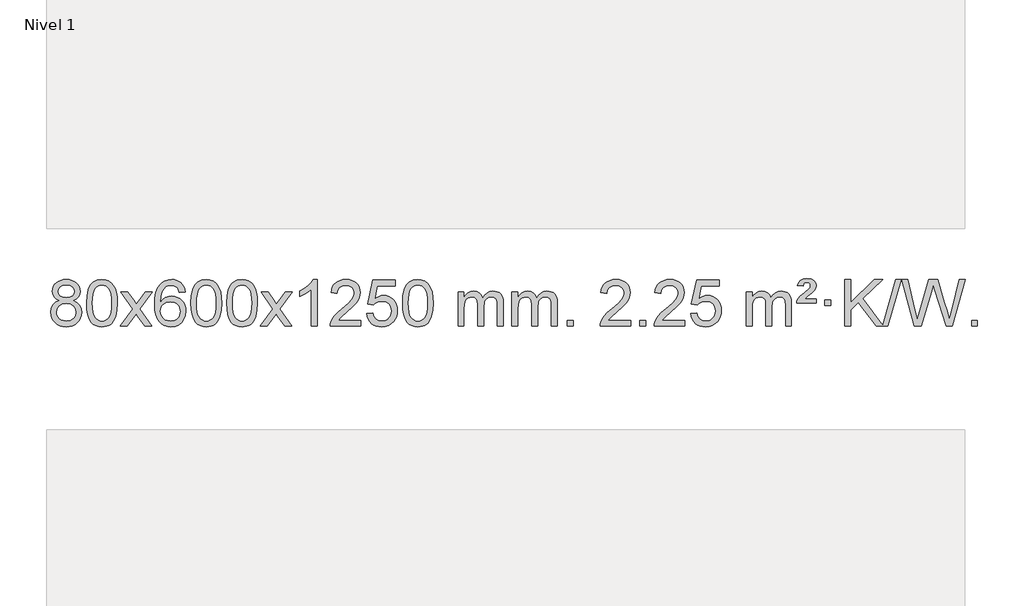
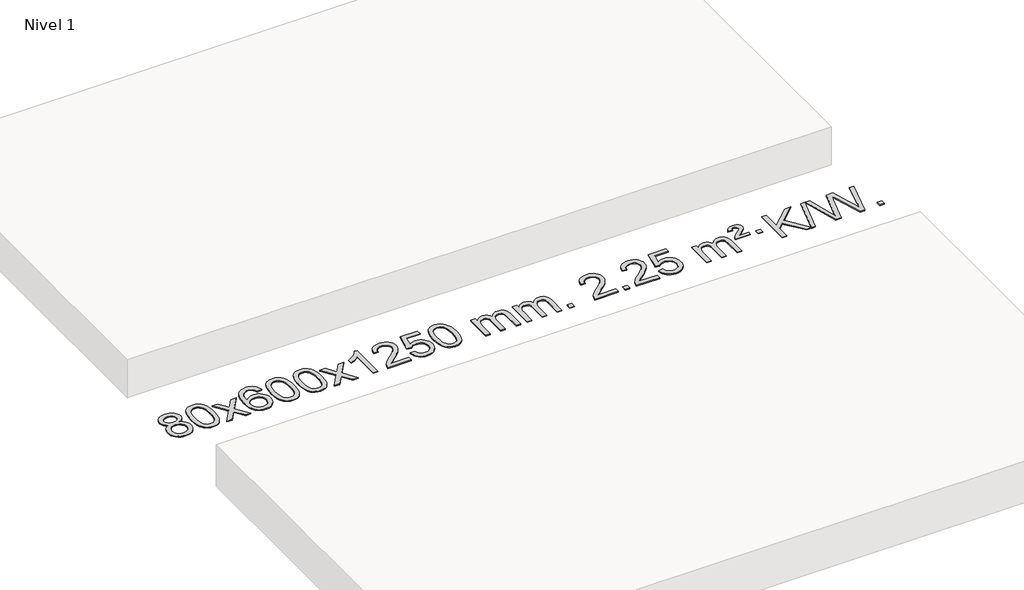
# One storey, part 6 of 7: 1 proxy.
"""IFC4 building model written with IfcOpenShell, lengths in millimetres."""

import ifcopenshell
import ifcopenshell.guid

model = None  # the IFC model being written
_history = None  # IfcOwnerHistory: only IFC2X3 demands one
_inside = {}  # id of a spatial element -> (the spatial element, [elements in it])
_under = {}  # id of a project, library or spatial element -> (it, [spatial elements below it])
_declared = {}  # id of a project -> (the project, [libraries it declares])
_typed = {}  # id of a type object -> (the type object, [elements of that type])
_made_of = {}  # id of a material, layer set ... -> (it, [elements and type objects made of it])


def new_model(schema):
    """Start an empty IFC model of exactly this schema.

    Asked for "IFC4X3", IfcOpenShell would pick the latest addendum, in which some entities
    have other attributes; the version numbers below select the first issue.
    IFC2X3 requires an IfcOwnerHistory on every rooted entity: one is made here for all.
    """
    global model, _history
    if schema == "IFC4X3":
        model = ifcopenshell.file(schema_version=(4, 3, 0, 0))
    else:
        model = ifcopenshell.file(schema=schema)
    _inside.clear()
    _under.clear()
    _declared.clear()
    _typed.clear()
    _made_of.clear()
    _history = None
    if model.schema == "IFC2X3":
        org = make("IfcOrganization", Name="unknown")
        user = make(
            "IfcPersonAndOrganization",
            ThePerson=make("IfcPerson", FamilyName="unknown"),
            TheOrganization=org,
        )
        app = make(
            "IfcApplication",
            ApplicationDeveloper=org,
            Version="unknown",
            ApplicationFullName="unknown",
            ApplicationIdentifier="unknown",
        )
        _history = make(
            "IfcOwnerHistory",
            OwningUser=user,
            OwningApplication=app,
            ChangeAction="ADDED",
            CreationDate=0,
        )
    return model


def make(cls, **values):
    """One entity of the class cls with the attributes given. An attribute that is None is left unset."""
    return model.create_entity(
        cls, **{name: value for name, value in values.items() if value is not None}
    )


def rooted(cls, **values):
    """An entity with a GlobalId (a new one), such as an element, a storey or a relation."""
    return make(cls, GlobalId=ifcopenshell.guid.new(), OwnerHistory=_history, **values)


def si_unit(unit_type, name, prefix=None):
    """IfcSIUnit, for example si_unit("LENGTHUNIT", "METRE", prefix="MILLI")."""
    return make("IfcSIUnit", UnitType=unit_type, Prefix=prefix, Name=name)


def assignment(units):
    """IfcUnitAssignment: the units of a project."""
    return None if units is None else make("IfcUnitAssignment", Units=units)


def point(xyz):
    """IfcCartesianPoint."""
    return None if xyz is None else make("IfcCartesianPoint", Coordinates=xyz)


def direction(xyz):
    """IfcDirection."""
    return None if xyz is None else make("IfcDirection", DirectionRatios=xyz)


def frame(location, z_axis=None, x_axis=None):
    """IfcAxis2Placement3D, a coordinate frame: its origin and axes. An axis left out is left unset."""
    return make(
        "IfcAxis2Placement3D",
        Location=point(location),
        Axis=direction(z_axis),
        RefDirection=direction(x_axis),
    )


def origin():
    """The frame at (0, 0, 0) with its axes left unset."""
    return frame((0.0, 0.0, 0.0))


def origin_with_axes():
    """The frame at (0, 0, 0) with the z axis (0, 0, 1) and the x axis (1, 0, 0) written out."""
    return frame((0.0, 0.0, 0.0), z_axis=(0.0, 0.0, 1.0), x_axis=(1.0, 0.0, 0.0))


def place(relative_to, where):
    """IfcLocalPlacement: puts the frame where relative to a parent placement (None: the world)."""
    return make(
        "IfcLocalPlacement", PlacementRelTo=relative_to, RelativePlacement=where
    )


def context(
    kind, dimensions, precision=None, world=None, true_north=None, identifier=None
):
    """IfcGeometricRepresentationContext, for example the 3D "Model" context."""
    return make(
        "IfcGeometricRepresentationContext",
        ContextIdentifier=identifier,
        ContextType=kind,
        CoordinateSpaceDimension=dimensions,
        Precision=precision,
        WorldCoordinateSystem=world,
        TrueNorth=true_north,
    )


def project(units=None, contexts=None):
    """IfcProject with its units and contexts."""
    return rooted(
        "IfcProject",
        Name="project",
        RepresentationContexts=contexts,
        UnitsInContext=assignment(units),
    )


def spatial(cls, under=None, at=None, **own):
    """A site, building, storey or space (cls), placed at a placement, below another one or the project."""
    s = rooted(cls, ObjectPlacement=at, **own)
    if under is not None:
        _under.setdefault(under.id(), (under, []))[1].append(s)
    return s


def polyline(points):
    """IfcPolyline through the points."""
    return make("IfcPolyline", Points=[point(p) for p in points])


def outline(outer, holes=None, kind="AREA"):
    """IfcArbitraryClosedProfileDef: a profile drawn as a closed curve; with holes, ...WithVoids."""
    if holes is None:
        return make("IfcArbitraryClosedProfileDef", ProfileType=kind, OuterCurve=outer)
    return make(
        "IfcArbitraryProfileDefWithVoids",
        ProfileType=kind,
        OuterCurve=outer,
        InnerCurves=holes,
    )


def extrude(swept, where, along, depth):
    """IfcExtrudedAreaSolid: the profile swept, set in the frame where, extruded along a direction by depth."""
    return make(
        "IfcExtrudedAreaSolid",
        SweptArea=swept,
        Position=where,
        ExtrudedDirection=direction(along),
        Depth=depth,
    )


def shape(context_of_items, identifier, shape_type, items):
    """IfcShapeRepresentation: the items that make up one representation, for example the "Body"."""
    return make(
        "IfcShapeRepresentation",
        ContextOfItems=context_of_items,
        RepresentationIdentifier=identifier,
        RepresentationType=shape_type,
        Items=items,
    )


def made_of(thing, what):
    """Note that an element or type object is made of a material, layer set ...; save() writes the relation."""
    if what is not None:
        _made_of.setdefault(what.id(), (what, []))[1].append(thing)
    return thing


def element(
    cls,
    number,
    at=None,
    inside=None,
    cuts=None,
    type_object=None,
    material=None,
    context=None,
    identifier="Body",
    shape_type=None,
    held_by="IfcProductDefinitionShape",
    body=None,
    shapes=None,
    **own,
):
    """One element of the class cls, such as IfcWall. Its Tag is "e" and its number.

    at: its placement. inside: the storey or other place that contains it. cuts: it is an
    opening in that element (IfcRelVoidsElement). A single representation is given by context,
    identifier, shape_type and body (its items); several are given by shapes. held_by: the class
    of the entity that holds the representations. save() writes the other relations.
    """
    e = rooted(cls, Tag="e%d" % number, ObjectPlacement=at, **own)
    if body is not None:
        shapes = [shape(context, identifier, shape_type, body)]
    if shapes is not None:
        e.Representation = make(held_by, Representations=shapes)
    if inside is not None:
        _inside.setdefault(inside.id(), (inside, []))[1].append(e)
    if cuts is not None:
        rooted(
            "IfcRelVoidsElement", RelatingBuildingElement=cuts, RelatedOpeningElement=e
        )
    if type_object is not None:
        _typed.setdefault(type_object.id(), (type_object, []))[1].append(e)
    return made_of(e, material)


def aggregate(whole, parts):
    """IfcRelAggregates: a whole, such as a stair, and the parts it consists of."""
    return rooted("IfcRelAggregates", RelatingObject=whole, RelatedObjects=parts)


def save(model, path):
    """Write the relations noted so far, then the file.

    IfcRelAggregates (storeys below a building ...), IfcRelContainedInSpatialStructure (elements
    in a storey), IfcRelDefinesByType, IfcRelAssociatesMaterial and IfcRelDeclares: one each for
    every whole, place, type object, material and project.
    """
    for whole, parts in _under.values():
        aggregate(whole, parts)
    for where, things in _inside.values():
        rooted(
            "IfcRelContainedInSpatialStructure",
            RelatedElements=things,
            RelatingStructure=where,
        )
    for kind, things in _typed.values():
        rooted("IfcRelDefinesByType", RelatedObjects=things, RelatingType=kind)
    for what, things in _made_of.values():
        rooted("IfcRelAssociatesMaterial", RelatedObjects=things, RelatingMaterial=what)
    for by, libraries in _declared.values():
        rooted("IfcRelDeclares", RelatingContext=by, RelatedDefinitions=libraries)
    model.write(path)


model = new_model("IFC4")

# Units and contexts
model_context = context("Model", 3, world=origin())
ifc_project = project(units=[si_unit("LENGTHUNIT", "METRE", prefix="MILLI")], contexts=[model_context])

# Site, building, storey
site = spatial("IfcSite", under=ifc_project)
building = spatial("IfcBuilding", under=site)
storey = spatial("IfcBuildingStorey", under=building, Name="Nivel 1", Elevation=0.0)

# Proxy
placement = place(None, origin())
element("IfcBuildingElementProxy", 1, Name="Texto de modelo 1", ObjectType="Texto de modelo 1", at=placement, inside=storey, context=model_context, shape_type="SweptSolid", body=[
    extrude(outline(polyline([(-13206.7901143, -6663.2990486), (-13233.6822881, -6650.0552967), (-13252.5546345, -6632.1026554), (-13263.7014589, -6609.8090065), (-13267.4170671, -6583.542232), (-13265.3937161, -6563.0573363), (-13259.3236632, -6544.2769604), (-13249.2069083, -6527.2011045), (-13235.0434515, -6511.8297684), (-13217.5138744, -6499.1255769), (-13197.2987588, -6490.0511543), (-13174.3981046, -6484.6065008), (-13148.8119118, -6482.7916163), (-13123.1030917, -6484.6494203), (-13100.0307593, -6490.2228326), (-13079.5949144, -6499.511853), (-13061.7955572, -6512.5164815), (-13047.374583, -6528.1882545), (-13037.0738872, -6545.4787082), (-13030.8934696, -6564.3878428), (-13028.8333305, -6584.9156581), (-13032.4998877, -6610.336304), (-13043.4995593, -6632.2498082), (-13061.9549728, -6650.0920849), (-13087.9887553, -6663.2990486), (-13057.074405, -6679.228339), (-13034.5722896, -6702.6869475), (-13020.8502912, -6732.5467028), (-13016.2762917, -6767.6794333), (-13018.5448973, -6792.7321972), (-13025.3507143, -6815.7002964), (-13036.6937424, -6836.583731), (-13052.5739819, -6855.382501), (-13072.1575668, -6870.9193839), (-13094.6106312, -6882.0171574), (-13119.9331752, -6888.6758215), (-13148.1251988, -6890.8953763), (-13176.3172223, -6888.6666245), (-13201.6397663, -6881.9803692), (-13224.0928308, -6870.8366105), (-13243.6764157, -6855.2353482), (-13259.5566551, -6836.3047539), (-13270.8996833, -6815.1729989), (-13277.7055002, -6791.8400834), (-13279.9741058, -6766.3060072), (-13275.2161654, -6729.8121133), (-13260.942344, -6699.7929425), (-13237.8884056, -6677.2785644), (-13206.7901143, -6663.2990486)]), holes=[polyline([(-13217.188912, -6585.01376), (-13212.7375399, -6606.9395269), (-13199.3834234, -6624.4507099), (-13177.5189702, -6635.9286281), (-13147.5365876, -6639.7546009), (-13118.2531808, -6635.9531536), (-13096.7198213, -6624.5488117), (-13083.4760695, -6607.62624), (-13079.0614855, -6587.2701029), (-13083.6232223, -6566.1414136), (-13097.3084325, -6548.6670189), (-13119.1360976, -6536.9315832), (-13148.1251988, -6533.0197713), (-13177.298241, -6536.8457441), (-13199.0891178, -6548.3236623), (-13212.6639635, -6565.1481323), (-13217.188912, -6585.01376)]), polyline([(-13229.7459508, -6764.5401736), (-13227.6490234, -6783.7558765), (-13221.3582413, -6802.3584427), (-13209.745433, -6818.5820387), (-13191.682427, -6830.6608309), (-13170.0509657, -6838.1656236), (-13147.7327913, -6840.6672212), (-13113.5442912, -6835.4065086), (-13099.6506145, -6828.830618), (-13087.8906534, -6819.6243711), (-13071.8509984, -6795.7243041), (-13066.5044468, -6766.1098035), (-13072.0226767, -6735.9925308), (-13088.5773665, -6711.5651663), (-13100.6561587, -6702.1228618), (-13114.8196155, -6695.3783586), (-13149.400523, -6689.982756), (-13183.1107765, -6695.3047822), (-13196.8481034, -6701.9573149), (-13208.5068969, -6711.2708607), (-13224.4361873, -6735.2322414), (-13229.7459508, -6764.5401736)])]), origin_with_axes(), (0.0, 0.0, 1.0), 10.0),
    extrude(outline(polyline([(-12972.326656, -6686.9415981), (-12968.6355733, -6622.6235626), (-12957.5623253, -6571.3285498), (-12939.2172764, -6532.2717446), (-12927.3592135, -6517.0383643), (-12913.7107915, -6504.6683323), (-12898.2260251, -6495.097269), (-12880.8589293, -6488.2607953), (-12840.4777489, -6482.7916163), (-12809.5266104, -6486.0289778), (-12781.8128334, -6495.7410625), (-12758.6362678, -6511.5477256), (-12741.296763, -6533.0688223), (-12728.200164, -6560.1204117), (-12717.7523154, -6592.5185527), (-12710.9097102, -6633.6600225), (-12708.6288419, -6686.9415981), (-12712.2831364, -6750.8917516), (-12723.2460198, -6802.0641372), (-12741.480704, -6841.1577305), (-12753.3111759, -6856.437096), (-12766.9504008, -6868.8715075), (-12782.4535613, -6878.5069501), (-12799.8758394, -6885.3894091), (-12840.4777489, -6890.8953763), (-12868.142475, -6888.5041433), (-12892.6679413, -6881.3304444), (-12914.054148, -6869.3742795), (-12932.3010949, -6852.6356488), (-12949.8122779, -6822.3773547), (-12962.3202657, -6784.6755815), (-12969.8250584, -6739.5303293), (-12972.326656, -6686.9415981)]), holes=[polyline([(-12922.0985009, -6686.8434963), (-12920.626973, -6730.5080234), (-12916.212389, -6765.8522861), (-12908.8547491, -6792.8762843), (-12898.5540532, -6811.5800181), (-12886.0951163, -6824.3056694), (-12872.2627533, -6833.3954204), (-12857.0569642, -6838.849271), (-12840.4777489, -6840.6672212), (-12823.8985337, -6838.8431396), (-12808.6927446, -6833.3708949), (-12794.8603815, -6824.2504871), (-12782.4014446, -6811.4819162), (-12772.1007488, -6792.7475256), (-12764.7431089, -6765.7296588), (-12760.3285249, -6730.4283156), (-12758.8569969, -6686.8434963), (-12760.279474, -6644.3347317), (-12764.5469051, -6609.6128027), (-12771.6592904, -6582.6777093), (-12781.6166297, -6563.5294515), (-12793.8671002, -6550.1814664), (-12807.8588787, -6540.6471914), (-12823.5919654, -6534.9266264), (-12841.0663601, -6533.0197713), (-12857.5597363, -6534.6997658), (-12872.508008, -6539.7397491), (-12885.9111753, -6548.1397213), (-12897.7692383, -6559.8996825), (-12908.4132907, -6580.7463289), (-12916.0161853, -6608.8525133), (-12920.577922, -6644.2182358), (-12922.0985009, -6686.8434963)])]), origin_with_axes(), (0.0, 0.0, 1.0), 10.0),
    extrude(outline(polyline([(-12683.5147643, -6884.6168569), (-12576.1913236, -6736.2868364), (-12677.236245, -6589.5264458), (-12616.8054959, -6589.5264458), (-12568.0488688, -6660.1597889), (-12545.289236, -6693.5144231), (-12525.5707611, -6666.2421045), (-12470.0451053, -6589.5264458), (-12409.6143562, -6589.5264458), (-12515.7605745, -6736.2868364), (-12413.5384308, -6884.6168569), (-12473.9691799, -6884.6168569), (-12535.4790495, -6795.4422612), (-12546.760764, -6779.1573516), (-12623.0840153, -6884.6168569), (-12683.5147643, -6884.6168569)])), origin_with_axes(), (0.0, 0.0, 1.0), 10.0),
    extrude(outline(polyline([(-12124.7265391, -6589.5264458), (-12174.9546942, -6595.8049652), (-12183.0480981, -6570.9116168), (-12193.9864561, -6553.9154687), (-12216.7706143, -6538.2436957), (-12244.312713, -6533.0197713), (-12267.660957, -6536.0609292), (-12289.6357748, -6545.1844027), (-12308.5081212, -6564.4001055), (-12323.9223768, -6590.850821), (-12334.3334372, -6628.2644199), (-12338.1961982, -6680.3687731), (-12318.0485276, -6656.8611137), (-12293.903206, -6640.2941611), (-12267.109134, -6630.4717119), (-12239.0152123, -6627.1975621), (-12214.8821534, -6629.4355109), (-12192.61303, -6636.1493573), (-12172.207842, -6647.3391013), (-12153.6665894, -6663.004743), (-12138.2584652, -6682.2143145), (-12127.2526622, -6704.0358482), (-12120.6491803, -6728.469344), (-12118.4480197, -6755.514802), (-12122.5928236, -6791.4813984), (-12135.027235, -6824.8237699), (-12154.7211845, -6853.1016326), (-12180.6446024, -6873.8747026), (-12211.6202664, -6886.6402078), (-12246.4709541, -6890.8953763), (-12276.4134828, -6888.0749476), (-12303.4558751, -6879.6136617), (-12327.5981311, -6865.5115186), (-12348.8402506, -6845.7685182), (-12366.1582955, -6819.5507947), (-12378.5283276, -6786.0244822), (-12385.9503469, -6745.1895807), (-12388.4243533, -6697.0460903), (-12385.677501, -6643.0716702), (-12377.4369443, -6597.006713), (-12363.7026832, -6558.8512188), (-12344.4747176, -6528.6051874), (-12323.6342026, -6508.56175), (-12299.4704868, -6494.2450091), (-12271.9835704, -6485.6549645), (-12241.1734533, -6482.7916163), (-12218.0398072, -6484.5635812), (-12197.1011903, -6489.879476), (-12178.3576027, -6498.7393008), (-12161.8090442, -6511.1430554), (-12147.9031048, -6526.6738069), (-12137.0873742, -6544.9146225), (-12129.3618523, -6565.8655021), (-12124.7265391, -6589.5264458)]), holes=[polyline([(-12338.1961982, -6754.7299871), (-12335.2899304, -6776.9868478), (-12326.5711271, -6798.2381644), (-12313.0330697, -6816.5096368), (-12295.6690396, -6829.8269651), (-12274.7120286, -6837.9571571), (-12250.3950287, -6840.6672212), (-12217.2488609, -6835.0508894), (-12203.3337244, -6828.0304746), (-12191.1905529, -6818.201894), (-12181.3405125, -6805.9636863), (-12174.3047693, -6791.7143904), (-12168.6761748, -6757.1825337), (-12174.2311929, -6724.036366), (-12181.1749656, -6710.4155351), (-12190.8962473, -6698.7628729), (-12203.0762071, -6689.4278673), (-12217.3960137, -6682.7600061), (-12252.4551679, -6677.4257172), (-12285.5522847, -6682.7600061), (-12313.2292735, -6698.7628729), (-12324.152303, -6710.2622509), (-12331.954467, -6723.4232293), (-12336.6357654, -6738.245808), (-12338.1961982, -6754.7299871)])]), origin_with_axes(), (0.0, 0.0, 1.0), 10.0),
    extrude(outline(polyline([(-12074.4983841, -6686.9415981), (-12070.8073014, -6622.6235626), (-12059.7340533, -6571.3285498), (-12041.3890045, -6532.2717446), (-12029.5309415, -6517.0383643), (-12015.8825195, -6504.6683323), (-12000.3977532, -6495.097269), (-11983.0306573, -6488.2607953), (-11942.649477, -6482.7916163), (-11911.6983385, -6486.0289778), (-11883.9845615, -6495.7410625), (-11860.8079958, -6511.5477256), (-11843.4684911, -6533.0688223), (-11830.3718921, -6560.1204117), (-11819.9240434, -6592.5185527), (-11813.0814383, -6633.6600225), (-11810.8005699, -6686.9415981), (-11814.4548644, -6750.8917516), (-11825.4177479, -6802.0641372), (-11843.6524321, -6841.1577305), (-11855.4829039, -6856.437096), (-11869.1221289, -6868.8715075), (-11884.6252893, -6878.5069501), (-11902.0475674, -6885.3894091), (-11942.649477, -6890.8953763), (-11970.314203, -6888.5041433), (-11994.8396694, -6881.3304444), (-12016.225876, -6869.3742795), (-12034.472823, -6852.6356488), (-12051.9840059, -6822.3773547), (-12064.4919938, -6784.6755815), (-12071.9967865, -6739.5303293), (-12074.4983841, -6686.9415981)]), holes=[polyline([(-12024.270229, -6686.8434963), (-12022.798701, -6730.5080234), (-12018.3841171, -6765.8522861), (-12011.0264772, -6792.8762843), (-12000.7257813, -6811.5800181), (-11988.2668444, -6824.3056694), (-11974.4344814, -6833.3954204), (-11959.2286922, -6838.849271), (-11942.649477, -6840.6672212), (-11926.0702617, -6838.8431396), (-11910.8644726, -6833.3708949), (-11897.0321096, -6824.2504871), (-11884.5731727, -6811.4819162), (-11874.2724768, -6792.7475256), (-11866.9148369, -6765.7296588), (-11862.500253, -6730.4283156), (-11861.028725, -6686.8434963), (-11862.451202, -6644.3347317), (-11866.7186332, -6609.6128027), (-11873.8310184, -6582.6777093), (-11883.7883578, -6563.5294515), (-11896.0388282, -6550.1814664), (-11910.0306067, -6540.6471914), (-11925.7636934, -6534.9266264), (-11943.2380882, -6533.0197713), (-11959.7314643, -6534.6997658), (-11974.679736, -6539.7397491), (-11988.0829034, -6548.1397213), (-11999.9409664, -6559.8996825), (-12010.5850188, -6580.7463289), (-12018.1879133, -6608.8525133), (-12022.7496501, -6644.2182358), (-12024.270229, -6686.8434963)])]), origin_with_axes(), (0.0, 0.0, 1.0), 10.0),
    extrude(outline(polyline([(-11766.8509342, -6686.9415981), (-11763.1598515, -6622.6235626), (-11752.0866035, -6571.3285498), (-11733.7415547, -6532.2717446), (-11721.8834917, -6517.0383643), (-11708.2350697, -6504.6683323), (-11692.7503033, -6495.097269), (-11675.3832075, -6488.2607953), (-11635.0020271, -6482.7916163), (-11604.0508886, -6486.0289778), (-11576.3371117, -6495.7410625), (-11553.160546, -6511.5477256), (-11535.8210412, -6533.0688223), (-11522.7244422, -6560.1204117), (-11512.2765936, -6592.5185527), (-11505.4339884, -6633.6600225), (-11503.1531201, -6686.9415981), (-11506.8074146, -6750.8917516), (-11517.770298, -6802.0641372), (-11536.0049822, -6841.1577305), (-11547.8354541, -6856.437096), (-11561.474679, -6868.8715075), (-11576.9778395, -6878.5069501), (-11594.4001176, -6885.3894091), (-11635.0020271, -6890.8953763), (-11662.6667532, -6888.5041433), (-11687.1922195, -6881.3304444), (-11708.5784262, -6869.3742795), (-11726.8253731, -6852.6356488), (-11744.3365561, -6822.3773547), (-11756.844544, -6784.6755815), (-11764.3493367, -6739.5303293), (-11766.8509342, -6686.9415981)]), holes=[polyline([(-11716.6227791, -6686.8434963), (-11715.1512512, -6730.5080234), (-11710.7366672, -6765.8522861), (-11703.3790273, -6792.8762843), (-11693.0783315, -6811.5800181), (-11680.6193946, -6824.3056694), (-11666.7870315, -6833.3954204), (-11651.5812424, -6838.849271), (-11635.0020271, -6840.6672212), (-11618.4228119, -6838.8431396), (-11603.2170228, -6833.3708949), (-11589.3846597, -6824.2504871), (-11576.9257228, -6811.4819162), (-11566.625027, -6792.7475256), (-11559.2673871, -6765.7296588), (-11554.8528031, -6730.4283156), (-11553.3812752, -6686.8434963), (-11554.8037522, -6644.3347317), (-11559.0711833, -6609.6128027), (-11566.1835686, -6582.6777093), (-11576.1409079, -6563.5294515), (-11588.3913784, -6550.1814664), (-11602.3831569, -6540.6471914), (-11618.1162436, -6534.9266264), (-11635.5906383, -6533.0197713), (-11652.0840145, -6534.6997658), (-11667.0322862, -6539.7397491), (-11680.4354536, -6548.1397213), (-11692.2935165, -6559.8996825), (-11702.9375689, -6580.7463289), (-11710.5404635, -6608.8525133), (-11715.1022002, -6644.2182358), (-11716.6227791, -6686.8434963)])]), origin_with_axes(), (0.0, 0.0, 1.0), 10.0),
    extrude(outline(polyline([(-11478.0390425, -6884.6168569), (-11370.7156018, -6736.2868364), (-11471.7605232, -6589.5264458), (-11411.3297741, -6589.5264458), (-11362.573147, -6660.1597889), (-11339.8135142, -6693.5144231), (-11320.0950393, -6666.2421045), (-11264.5693835, -6589.5264458), (-11204.1386344, -6589.5264458), (-11310.2848527, -6736.2868364), (-11208.062709, -6884.6168569), (-11268.4934581, -6884.6168569), (-11330.0033277, -6795.4422612), (-11341.2850422, -6779.1573516), (-11417.6082935, -6884.6168569), (-11478.0390425, -6884.6168569)])), origin_with_axes(), (0.0, 0.0, 1.0), 10.0),
    extrude(outline(polyline([(-10988.3145306, -6884.6168569), (-11038.5426856, -6884.6168569), (-11038.5426856, -6571.4757026), (-11059.5119594, -6588.4350626), (-11086.1220903, -6605.3698971), (-11138.9989958, -6630.7292293), (-11138.9989958, -6583.2479264), (-11099.5497832, -6561.7881434), (-11065.3735458, -6536.2571329), (-11038.432321, -6509.1074417), (-11020.6881461, -6482.7916163), (-10988.3145306, -6482.7916163), (-10988.3145306, -6884.6168569)])), origin_with_axes(), (0.0, 0.0, 1.0), 10.0),
    extrude(outline(polyline([(-10611.6033675, -6834.3887018), (-10611.6033675, -6884.6168569), (-10875.3011816, -6884.6168569), (-10874.1975357, -6866.9339956), (-10869.905579, -6849.9868984), (-10857.5202185, -6822.9230463), (-10839.3958989, -6796.6685346), (-10813.1781754, -6769.1877495), (-10776.5126032, -6738.4450775), (-10722.3113226, -6690.301587), (-10689.7905542, -6654.7641863), (-10673.53017, -6625.9222379), (-10668.110042, -6597.8651044), (-10673.2236017, -6572.7142386), (-10688.5642809, -6551.8062786), (-10712.1455168, -6537.7163982), (-10741.9807466, -6533.0197713), (-10773.3120298, -6537.6060336), (-10797.6535552, -6551.3648202), (-10813.3621164, -6573.2170107), (-10818.7945072, -6602.0834846), (-10869.0226623, -6595.8049652), (-10864.7031145, -6569.8754159), (-10856.8457682, -6547.2200164), (-10845.4506234, -6527.8387666), (-10830.5176801, -6511.7316666), (-10812.3902948, -6499.0703946), (-10791.411824, -6490.0266288), (-10767.5822678, -6484.6003694), (-10740.9016261, -6482.7916163), (-10713.9818611, -6484.8027045), (-10690.0235461, -6490.8359692), (-10669.0266813, -6500.8914104), (-10650.9912664, -6514.9690281), (-10636.5059129, -6532.02649), (-10626.1592318, -6551.0214636), (-10619.9512231, -6571.9539492), (-10617.8818869, -6594.8239465), (-10620.1137043, -6618.8466408), (-10626.8091566, -6642.4524022), (-10638.6917451, -6666.4628337), (-10656.4849709, -6691.6995386), (-10684.8486727, -6721.829074), (-10728.4426892, -6760.5179972), (-10786.2246879, -6808.8331659), (-10808.8862188, -6834.3887018), (-10611.6033675, -6834.3887018)])), origin_with_axes(), (0.0, 0.0, 1.0), 10.0),
    extrude(outline(polyline([(-10561.3752124, -6777.8820273), (-10511.1470573, -6771.603508), (-10501.925482, -6801.7575688), (-10485.8367761, -6823.3522419), (-10462.954516, -6836.3384764), (-10433.3522781, -6840.6672212), (-10414.2224144, -6839.1619707), (-10397.3488935, -6834.6462192), (-10382.7317156, -6827.1199667), (-10370.3708805, -6816.5832132), (-10360.5422999, -6803.5571249), (-10353.5218851, -6788.5628679), (-10347.9055534, -6752.6698479), (-10353.1662659, -6718.8737553), (-10359.7421566, -6704.9555532), (-10368.9484035, -6693.0239138), (-10380.8156635, -6683.4528505), (-10395.3745935, -6676.6163768), (-10432.5674632, -6671.1471978), (-10456.933514, -6673.3299643), (-10476.6642517, -6679.8782638), (-10492.4218638, -6689.9091796), (-10504.868538, -6702.5397947), (-10555.096693, -6696.2612753), (-10511.1470573, -6489.0701357), (-10316.5129564, -6489.0701357), (-10316.5129564, -6539.2982907), (-10470.5328851, -6539.2982907), (-10492.0171936, -6649.9571949), (-10474.2914128, -6637.2530033), (-10456.1364363, -6628.1785808), (-10437.5522642, -6622.7339272), (-10418.5388964, -6620.9190427), (-10394.0778094, -6623.1692543), (-10371.6094166, -6629.9198889), (-10351.1337179, -6641.1709466), (-10332.6507133, -6656.9224273), (-10317.349888, -6676.2117066), (-10306.420727, -6698.0761598), (-10299.8632305, -6722.5157871), (-10297.6773983, -6749.5305882), (-10299.645567, -6775.552108), (-10305.550073, -6799.7587433), (-10315.3909163, -6822.1504941), (-10329.1680971, -6842.7273604), (-10350.0392689, -6863.8008673), (-10374.393057, -6878.8533723), (-10402.2294613, -6887.8848753), (-10433.5484818, -6890.8953763), (-10459.4688341, -6888.9609301), (-10482.8814574, -6883.1575916), (-10503.7863518, -6873.4853608), (-10522.1835172, -6859.9442377), (-10537.4904739, -6843.2086726), (-10549.124742, -6823.9531159), (-10557.0863215, -6802.1775674), (-10561.3752124, -6777.8820273)])), origin_with_axes(), (0.0, 0.0, 1.0), 10.0),
    extrude(outline(polyline([(-10253.7277626, -6686.9415981), (-10250.0366799, -6622.6235626), (-10238.9634319, -6571.3285498), (-10220.618383, -6532.2717446), (-10208.76032, -6517.0383643), (-10195.111898, -6504.6683323), (-10179.6271317, -6495.097269), (-10162.2600359, -6488.2607953), (-10121.8788555, -6482.7916163), (-10090.927717, -6486.0289778), (-10063.21394, -6495.7410625), (-10040.0373743, -6511.5477256), (-10022.6978696, -6533.0688223), (-10009.6012706, -6560.1204117), (-9999.1534219, -6592.5185527), (-9992.3108168, -6633.6600225), (-9990.0299484, -6686.9415981), (-9993.6842429, -6750.8917516), (-10004.6471264, -6802.0641372), (-10022.8818106, -6841.1577305), (-10034.7122824, -6856.437096), (-10048.3515074, -6868.8715075), (-10063.8546678, -6878.5069501), (-10081.276946, -6885.3894091), (-10121.8788555, -6890.8953763), (-10149.5435816, -6888.5041433), (-10174.0690479, -6881.3304444), (-10195.4552546, -6869.3742795), (-10213.7022015, -6852.6356488), (-10231.2133845, -6822.3773547), (-10243.7213723, -6784.6755815), (-10251.226165, -6739.5303293), (-10253.7277626, -6686.9415981)]), holes=[polyline([(-10203.4996075, -6686.8434963), (-10202.0280795, -6730.5080234), (-10197.6134956, -6765.8522861), (-10190.2558557, -6792.8762843), (-10179.9551598, -6811.5800181), (-10167.4962229, -6824.3056694), (-10153.6638599, -6833.3954204), (-10138.4580708, -6838.849271), (-10121.8788555, -6840.6672212), (-10105.2996403, -6838.8431396), (-10090.0938511, -6833.3708949), (-10076.2614881, -6824.2504871), (-10063.8025512, -6811.4819162), (-10053.5018553, -6792.7475256), (-10046.1442154, -6765.7296588), (-10041.7296315, -6730.4283156), (-10040.2581035, -6686.8434963), (-10041.6805806, -6644.3347317), (-10045.9480117, -6609.6128027), (-10053.060397, -6582.6777093), (-10063.0177363, -6563.5294515), (-10075.2682067, -6550.1814664), (-10089.2599853, -6540.6471914), (-10104.9930719, -6534.9266264), (-10122.4674667, -6533.0197713), (-10138.9608428, -6534.6997658), (-10153.9091146, -6539.7397491), (-10167.3122819, -6548.1397213), (-10179.1703449, -6559.8996825), (-10189.8143973, -6580.7463289), (-10197.4172919, -6608.8525133), (-10201.9790286, -6644.2182358), (-10203.4996075, -6686.8434963)])]), origin_with_axes(), (0.0, 0.0, 1.0), 10.0),
    extrude(outline(polyline([(-9776.5602894, -6884.6168569), (-9776.5602894, -6589.5264458), (-9726.3321343, -6589.5264458), (-9726.3321343, -6638.0868692), (-9711.224447, -6615.7809575), (-9691.8002777, -6598.3065628), (-9668.7218139, -6587.0125855), (-9642.6512431, -6583.2479264), (-9614.716737, -6587.0861619), (-9592.3249862, -6598.6008684), (-9575.5986181, -6617.0317563), (-9564.6602602, -6641.6185363), (-9546.3519995, -6616.0813945), (-9525.4685649, -6597.8405789), (-9502.0099564, -6586.8960895), (-9475.9761739, -6583.2479264), (-9455.8683571, -6584.7654397), (-9438.2192184, -6589.3179793), (-9423.0287577, -6596.9055455), (-9410.296975, -6607.5281381), (-9400.2323367, -6621.3083845), (-9393.0433094, -6638.368912), (-9388.729893, -6658.7097207), (-9387.2920876, -6682.3308105), (-9387.2920876, -6884.6168569), (-9437.5202426, -6884.6168569), (-9437.5202426, -6703.9132208), (-9438.6852023, -6678.860457), (-9442.1800812, -6661.9746734), (-9448.7283807, -6650.410916), (-9459.0536021, -6641.3242307), (-9472.3341421, -6635.4381188), (-9487.7483977, -6633.4760815), (-9514.9594026, -6638.5038021), (-9537.1426869, -6653.5869639), (-9545.7480599, -6665.1568526), (-9551.8947549, -6679.7556365), (-9556.8121109, -6718.0398895), (-9556.8121109, -6884.6168569), (-9607.040266, -6884.6168569), (-9607.040266, -6698.3214145), (-9609.9465338, -6669.9209245), (-9618.6653371, -6649.6628893), (-9634.0060162, -6637.5227834), (-9656.7779118, -6633.4760815), (-9676.1285047, -6636.1738828), (-9693.9585187, -6644.2672867), (-9708.6737985, -6657.5600894), (-9718.6801888, -6675.8560873), (-9724.4191479, -6701.239945), (-9726.3321343, -6735.7963271), (-9726.3321343, -6884.6168569), (-9776.5602894, -6884.6168569)])), origin_with_axes(), (0.0, 0.0, 1.0), 10.0),
    extrude(outline(polyline([(-9311.9498549, -6884.6168569), (-9311.9498549, -6589.5264458), (-9261.7216999, -6589.5264458), (-9261.7216999, -6638.0868692), (-9246.6140126, -6615.7809575), (-9227.1898432, -6598.3065628), (-9204.1113794, -6587.0125855), (-9178.0408087, -6583.2479264), (-9150.1063025, -6587.0861619), (-9127.7145518, -6598.6008684), (-9110.9881837, -6617.0317563), (-9100.0498257, -6641.6185363), (-9081.7415651, -6616.0813945), (-9060.8581305, -6597.8405789), (-9037.3995219, -6586.8960895), (-9011.3657394, -6583.2479264), (-8991.2579227, -6584.7654397), (-8973.608784, -6589.3179793), (-8958.4183233, -6596.9055455), (-8945.6865405, -6607.5281381), (-8935.6219023, -6621.3083845), (-8928.432875, -6638.368912), (-8924.1194586, -6658.7097207), (-8922.6816531, -6682.3308105), (-8922.6816531, -6884.6168569), (-8972.9098082, -6884.6168569), (-8972.9098082, -6703.9132208), (-8974.0747678, -6678.860457), (-8977.5696468, -6661.9746734), (-8984.1179463, -6650.410916), (-8994.4431676, -6641.3242307), (-9007.7237077, -6635.4381188), (-9023.1379633, -6633.4760815), (-9050.3489682, -6638.5038021), (-9072.5322525, -6653.5869639), (-9081.1376255, -6665.1568526), (-9087.2843205, -6679.7556365), (-9092.2016765, -6718.0398895), (-9092.2016765, -6884.6168569), (-9142.4298316, -6884.6168569), (-9142.4298316, -6698.3214145), (-9145.3360993, -6669.9209245), (-9154.0549026, -6649.6628893), (-9169.3955818, -6637.5227834), (-9192.1674773, -6633.4760815), (-9211.5180703, -6636.1738828), (-9229.3480843, -6644.2672867), (-9244.0633641, -6657.5600894), (-9254.0697544, -6675.8560873), (-9259.8087135, -6701.239945), (-9261.7216999, -6735.7963271), (-9261.7216999, -6884.6168569), (-9311.9498549, -6884.6168569)])), origin_with_axes(), (0.0, 0.0, 1.0), 10.0),
    extrude(outline(polyline([(-8834.7823817, -6884.6168569), (-8834.7823817, -6834.3887018), (-8784.5542267, -6834.3887018), (-8784.5542267, -6884.6168569), (-8834.7823817, -6884.6168569)])), origin_with_axes(), (0.0, 0.0, 1.0), 10.0),
    extrude(outline(polyline([(-8288.5511953, -6834.3887018), (-8288.5511953, -6884.6168569), (-8552.2490094, -6884.6168569), (-8551.1453634, -6866.9339956), (-8546.8534068, -6849.9868984), (-8534.4680463, -6822.9230463), (-8516.3437267, -6796.6685346), (-8490.1260032, -6769.1877495), (-8453.460431, -6738.4450775), (-8399.2591504, -6690.301587), (-8366.738382, -6654.7641863), (-8350.4779978, -6625.9222379), (-8345.0578697, -6597.8651044), (-8350.1714295, -6572.7142386), (-8365.5121087, -6551.8062786), (-8389.0933446, -6537.7163982), (-8418.9285744, -6533.0197713), (-8450.2598576, -6537.6060336), (-8474.601383, -6551.3648202), (-8490.3099442, -6573.2170107), (-8495.742335, -6602.0834846), (-8545.97049, -6595.8049652), (-8541.6509423, -6569.8754159), (-8533.793596, -6547.2200164), (-8522.3984512, -6527.8387666), (-8507.4655079, -6511.7316666), (-8489.3381226, -6499.0703946), (-8468.3596518, -6490.0266288), (-8444.5300956, -6484.6003694), (-8417.8494539, -6482.7916163), (-8390.9296889, -6484.8027045), (-8366.9713739, -6490.8359692), (-8345.9745091, -6500.8914104), (-8327.9390942, -6514.9690281), (-8313.4537407, -6532.02649), (-8303.1070596, -6551.0214636), (-8296.8990509, -6571.9539492), (-8294.8297147, -6594.8239465), (-8297.0615321, -6618.8466408), (-8303.7569844, -6642.4524022), (-8315.6395729, -6666.4628337), (-8333.4327987, -6691.6995386), (-8361.7965005, -6721.829074), (-8405.390517, -6760.5179972), (-8463.1725157, -6808.8331659), (-8485.8340466, -6834.3887018), (-8288.5511953, -6834.3887018)])), origin_with_axes(), (0.0, 0.0, 1.0), 10.0),
    extrude(outline(polyline([(-8213.2089627, -6884.6168569), (-8213.2089627, -6834.3887018), (-8162.9808076, -6834.3887018), (-8162.9808076, -6884.6168569), (-8213.2089627, -6884.6168569)])), origin_with_axes(), (0.0, 0.0, 1.0), 10.0),
    extrude(outline(polyline([(-7823.9407608, -6834.3887018), (-7823.9407608, -6884.6168569), (-8087.638575, -6884.6168569), (-8086.534929, -6866.9339956), (-8082.2429724, -6849.9868984), (-8069.8576119, -6822.9230463), (-8051.7332923, -6796.6685346), (-8025.5155687, -6769.1877495), (-7988.8499966, -6738.4450775), (-7934.6487159, -6690.301587), (-7902.1279476, -6654.7641863), (-7885.8675634, -6625.9222379), (-7880.4474353, -6597.8651044), (-7885.560995, -6572.7142386), (-7900.9016742, -6551.8062786), (-7924.4829101, -6537.7163982), (-7954.3181399, -6533.0197713), (-7985.6494232, -6537.6060336), (-8009.9909485, -6551.3648202), (-8025.6995097, -6573.2170107), (-8031.1319005, -6602.0834846), (-8081.3600556, -6595.8049652), (-8077.0405078, -6569.8754159), (-8069.1831616, -6547.2200164), (-8057.7880168, -6527.8387666), (-8042.8550734, -6511.7316666), (-8024.7276881, -6499.0703946), (-8003.7492174, -6490.0266288), (-7979.9196611, -6484.6003694), (-7953.2390194, -6482.7916163), (-7926.3192544, -6484.8027045), (-7902.3609395, -6490.8359692), (-7881.3640746, -6500.8914104), (-7863.3286598, -6514.9690281), (-7848.8433062, -6532.02649), (-7838.4966251, -6551.0214636), (-7832.2886165, -6571.9539492), (-7830.2192802, -6594.8239465), (-7832.4510977, -6618.8466408), (-7839.14655, -6642.4524022), (-7851.0291384, -6666.4628337), (-7868.8223643, -6691.6995386), (-7897.1860661, -6721.829074), (-7940.7800825, -6760.5179972), (-7998.5620812, -6808.8331659), (-8021.2236121, -6834.3887018), (-7823.9407608, -6834.3887018)])), origin_with_axes(), (0.0, 0.0, 1.0), 10.0),
    extrude(outline(polyline([(-7773.7126058, -6777.8820273), (-7723.4844507, -6771.603508), (-7714.2628754, -6801.7575688), (-7698.1741694, -6823.3522419), (-7675.2919093, -6836.3384764), (-7645.6896715, -6840.6672212), (-7626.5598077, -6839.1619707), (-7609.6862869, -6834.6462192), (-7595.0691089, -6827.1199667), (-7582.7082739, -6816.5832132), (-7572.8796932, -6803.5571249), (-7565.8592785, -6788.5628679), (-7560.2429467, -6752.6698479), (-7565.5036592, -6718.8737553), (-7572.0795499, -6704.9555532), (-7581.2857968, -6693.0239138), (-7593.1530569, -6683.4528505), (-7607.7119868, -6676.6163768), (-7644.9048565, -6671.1471978), (-7669.2709073, -6673.3299643), (-7689.001645, -6679.8782638), (-7704.7592571, -6689.9091796), (-7717.2059313, -6702.5397947), (-7767.4340864, -6696.2612753), (-7723.4844507, -6489.0701357), (-7528.8503498, -6489.0701357), (-7528.8503498, -6539.2982907), (-7682.8702784, -6539.2982907), (-7704.3545869, -6649.9571949), (-7686.6288061, -6637.2530033), (-7668.4738297, -6628.1785808), (-7649.8896576, -6622.7339272), (-7630.8762898, -6620.9190427), (-7606.4152028, -6623.1692543), (-7583.9468099, -6629.9198889), (-7563.4711112, -6641.1709466), (-7544.9881066, -6656.9224273), (-7529.6872813, -6676.2117066), (-7518.7581204, -6698.0761598), (-7512.2006238, -6722.5157871), (-7510.0147916, -6749.5305882), (-7511.9829603, -6775.552108), (-7517.8874663, -6799.7587433), (-7527.7283097, -6822.1504941), (-7541.5054904, -6842.7273604), (-7562.3766623, -6863.8008673), (-7586.7304504, -6878.8533723), (-7614.5668547, -6887.8848753), (-7645.8858752, -6890.8953763), (-7671.8062274, -6888.9609301), (-7695.2188507, -6883.1575916), (-7716.1237451, -6873.4853608), (-7734.5209106, -6859.9442377), (-7749.8278672, -6843.2086726), (-7761.4621353, -6823.9531159), (-7769.4237148, -6802.1775674), (-7773.7126058, -6777.8820273)])), origin_with_axes(), (0.0, 0.0, 1.0), 10.0),
    extrude(outline(polyline([(-7296.5451326, -6884.6168569), (-7296.5451326, -6589.5264458), (-7246.3169775, -6589.5264458), (-7246.3169775, -6638.0868692), (-7231.2092902, -6615.7809575), (-7211.7851209, -6598.3065628), (-7188.706657, -6587.0125855), (-7162.6360863, -6583.2479264), (-7134.7015802, -6587.0861619), (-7112.3098294, -6598.6008684), (-7095.5834613, -6617.0317563), (-7084.6451033, -6641.6185363), (-7066.3368427, -6616.0813945), (-7045.4534081, -6597.8405789), (-7021.9947996, -6586.8960895), (-6995.961017, -6583.2479264), (-6975.8532003, -6584.7654397), (-6958.2040616, -6589.3179793), (-6943.0136009, -6596.9055455), (-6930.2818182, -6607.5281381), (-6920.2171799, -6621.3083845), (-6913.0281526, -6638.368912), (-6908.7147362, -6658.7097207), (-6907.2769307, -6682.3308105), (-6907.2769307, -6884.6168569), (-6957.5050858, -6884.6168569), (-6957.5050858, -6703.9132208), (-6958.6700455, -6678.860457), (-6962.1649244, -6661.9746734), (-6968.7132239, -6650.410916), (-6979.0384453, -6641.3242307), (-6992.3189853, -6635.4381188), (-7007.7332409, -6633.4760815), (-7034.9442458, -6638.5038021), (-7057.1275301, -6653.5869639), (-7065.7329031, -6665.1568526), (-7071.8795981, -6679.7556365), (-7076.7969541, -6718.0398895), (-7076.7969541, -6884.6168569), (-7127.0251092, -6884.6168569), (-7127.0251092, -6698.3214145), (-7129.9313769, -6669.9209245), (-7138.6501802, -6649.6628893), (-7153.9908594, -6637.5227834), (-7176.7627549, -6633.4760815), (-7196.1133479, -6636.1738828), (-7213.9433619, -6644.2672867), (-7228.6586417, -6657.5600894), (-7238.665032, -6675.8560873), (-7244.4039911, -6701.239945), (-7246.3169775, -6735.7963271), (-7246.3169775, -6884.6168569), (-7296.5451326, -6884.6168569)])), origin_with_axes(), (0.0, 0.0, 1.0), 10.0),
    extrude(outline(polyline([(-6863.327295, -6683.7042366), (-6859.5013223, -6667.8853108), (-6851.1626637, -6652.0173341), (-6829.6538298, -6626.878731), (-6797.6971471, -6599.1404286), (-6753.5513077, -6561.7636179), (-6746.414397, -6550.2366487), (-6744.0354267, -6538.4153739), (-6745.9238876, -6526.324319), (-6751.5892704, -6516.538658), (-6760.9579985, -6510.0639348), (-6773.9564957, -6507.9056938), (-6786.3909071, -6509.5243746), (-6795.2446005, -6514.3804169), (-6801.6702727, -6523.8472469), (-6806.8206206, -6539.2982907), (-6857.0487757, -6533.0197713), (-6846.2085195, -6507.8075919), (-6829.5802534, -6490.247358), (-6805.8150765, -6479.9466622), (-6773.5640882, -6476.5130969), (-6737.7814328, -6480.645638), (-6713.0352373, -6493.0432612), (-6698.6142631, -6511.3760473), (-6693.8072717, -6533.3140769), (-6697.9030245, -6556.2208625), (-6710.1902832, -6577.8523238), (-6730.7180985, -6597.6689006), (-6767.187467, -6625.7260341), (-6792.7920538, -6652.3116396), (-6693.8072717, -6652.3116396), (-6693.8072717, -6683.7042366), (-6863.327295, -6683.7042366)])), origin_with_axes(), (0.0, 0.0, 1.0), 10.0),
    extrude(outline(polyline([(-6618.4650391, -6708.8183141), (-6618.4650391, -6658.590159), (-6568.236884, -6658.590159), (-6568.236884, -6708.8183141), (-6618.4650391, -6708.8183141)])), origin_with_axes(), (0.0, 0.0, 1.0), 10.0),
    extrude(outline(polyline([(-6177.595256, -6884.6168569), (-6331.0265735, -6681.938403), (-6398.7168606, -6746.4894304), (-6398.7168606, -6884.6168569), (-6448.9450157, -6884.6168569), (-6448.9450157, -6482.7916163), (-6398.7168606, -6482.7916163), (-6398.7168606, -6679.4858564), (-6192.7029433, -6482.7916163), (-6122.4620077, -6482.7916163), (-6295.4155964, -6647.9951576), (-6120.7619865, -6878.5723371), (-6009.4486588, -6482.7916163), (-5964.125597, -6482.7916163), (-6077.1389459, -6884.6168569), (-6116.1834883, -6884.6168569), (-6122.4620077, -6884.6168569), (-6177.595256, -6884.6168569)])), origin_with_axes(), (0.0, 0.0, 1.0), 10.0),
    extrude(outline(polyline([(-5849.6407201, -6884.6168569), (-5959.2205037, -6482.7916163), (-5907.4227188, -6482.7916163), (-5843.85271, -6746.8818379), (-5824.2323369, -6828.404488), (-5803.2385377, -6756.299617), (-5723.5798231, -6482.7916163), (-5648.9243035, -6482.7916163), (-5591.0442029, -6681.0554862), (-5566.2489564, -6754.6318852), (-5547.977484, -6828.404488), (-5528.9457221, -6749.2362826), (-5464.7871022, -6482.7916163), (-5412.9893173, -6482.7916163), (-5522.6672028, -6884.6168569), (-5576.3289231, -6884.6168569), (-5672.6649549, -6574.6149623), (-5686.1049105, -6531.3520396), (-5701.2125977, -6583.4441302), (-5789.0137673, -6884.6168569), (-5849.6407201, -6884.6168569)])), origin_with_axes(), (0.0, 0.0, 1.0), 10.0),
    extrude(outline(polyline([(-5356.4826428, -6884.6168569), (-5356.4826428, -6834.3887018), (-5306.2544877, -6834.3887018), (-5306.2544877, -6884.6168569), (-5356.4826428, -6884.6168569)])), origin_with_axes(), (0.0, 0.0, 1.0), 10.0),
])

save(model, "model.ifc")
